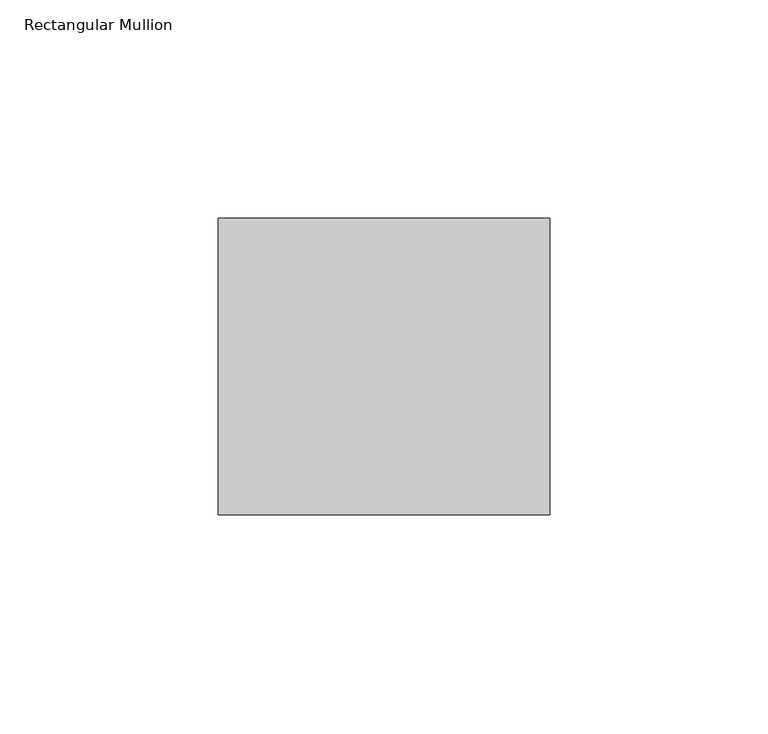
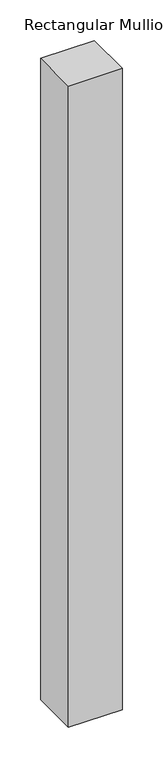
"""IFC4 building model written with IfcOpenShell, lengths in millimetres: member geometry, Rectangular Mullion."""

from ifc_helpers import new_model, si_unit, frame, origin, place, context, project, spatial, polyline, outline, extrude, source, transform, mapped, element, save


def rectangular_mullion_aea881b1(model_context):
    return source(origin(), model_context, "Body", "SweptSolid", [
        extrude(outline(polyline([(0.0, 68.0), (0.0, 0.0), (-76.0, 0.0), (-76.0, 68.0), (0.0, 68.0)])), frame((0.0, 0.0, -961.0), z_axis=(0.0, 0.0, 1.0), x_axis=(1.0, 0.0, 0.0)), (0.0, 0.0, 1.0), 961.0),
    ])


if __name__ == "__main__":
    model = new_model("IFC4")
    model_context = context("Model", 3, world=origin())
    ifc_project = project(units=[si_unit("LENGTHUNIT", "METRE", prefix="MILLI")], contexts=[model_context])
    site = spatial("IfcSite", under=ifc_project)
    building = spatial("IfcBuilding", under=site)
    placement = place(None, origin())
    rectangular_mullion_shape = rectangular_mullion_aea881b1(model_context)
    element("IfcMember", 1, ObjectType="Rectangular Mullion", at=placement, inside=building, context=model_context, shape_type="MappedRepresentation", body=[
        mapped(rectangular_mullion_shape, transform((0.0, 0.0, 0.0), x_axis=(1.0, 0.0, 0.0), y_axis=(0.0, 1.0, 0.0), z_axis=(0.0, 0.0, 1.0))),
    ])
    save(model, "model.ifc")
